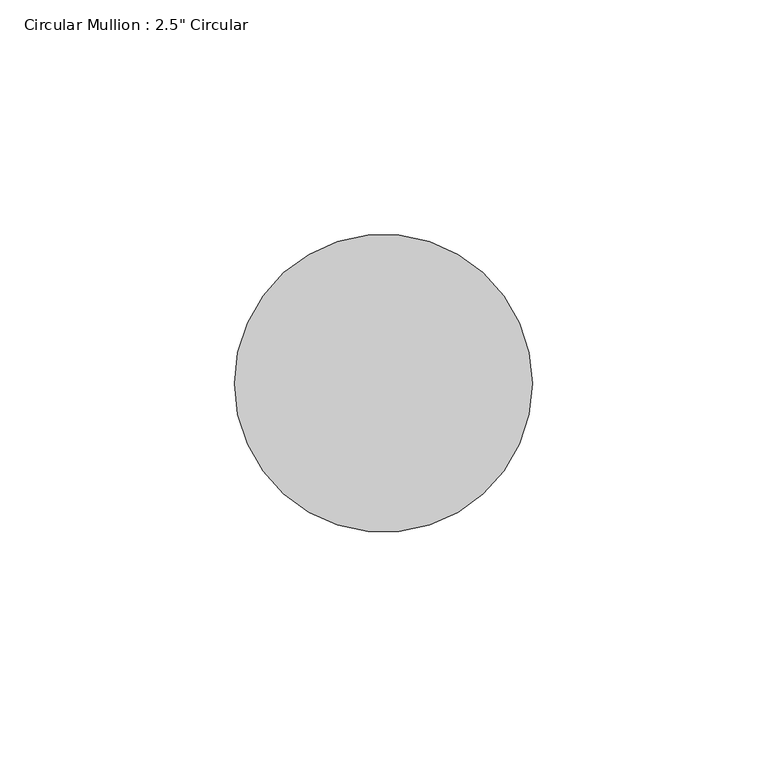
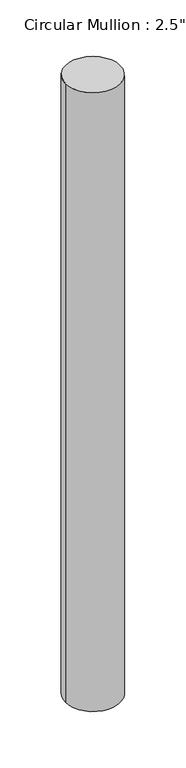
"""IFC4 building model written with IfcOpenShell, lengths in millimetres: member geometry."""

from ifc_helpers import new_model, si_unit, point, frame, frame_2d, origin, place, context, project, spatial, circle_curve, trimmed, segment, composite_curve, outline, extrude, source, transform, mapped, element, save


def member_38127003(model_context):
    return source(origin(), model_context, "Body", "SweptSolid", [
        extrude(outline(composite_curve([segment(trimmed(circle_curve(frame_2d((-31.75, 0.0)), 31.75), [point((0.0, 0.0))], [point((-63.5, 0.0))], False, "CARTESIAN"), True, "CONTINUOUS"), segment(trimmed(circle_curve(frame_2d((-31.75, 0.0)), 31.75), [point((-63.5, 0.0))], [point((0.0, 0.0))], False, "CARTESIAN"), True, "CONTINUOUS")], self_intersect=False)), frame((0.0, 0.0, -758.25), z_axis=(0.0, 0.0, 1.0), x_axis=(1.0, 0.0, 0.0)), (0.0, 0.0, 1.0), 758.25),
    ])


if __name__ == "__main__":
    model = new_model("IFC4")
    model_context = context("Model", 3, world=origin())
    ifc_project = project(units=[si_unit("LENGTHUNIT", "METRE", prefix="MILLI")], contexts=[model_context])
    site = spatial("IfcSite", under=ifc_project)
    building = spatial("IfcBuilding", under=site)
    placement = place(None, origin())
    member_shape = member_38127003(model_context)
    element("IfcMember", 1, ObjectType="Circular Mullion : 2.5\" Circular", at=placement, inside=building, context=model_context, shape_type="MappedRepresentation", body=[
        mapped(member_shape, transform((0.0, 0.0, 0.0), x_axis=(1.0, 0.0, 0.0), y_axis=(0.0, 1.0, 0.0), z_axis=(0.0, 0.0, 1.0))),
    ])
    save(model, "model.ifc")
